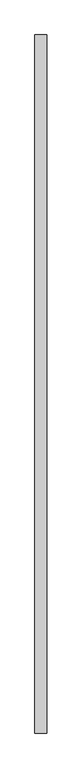
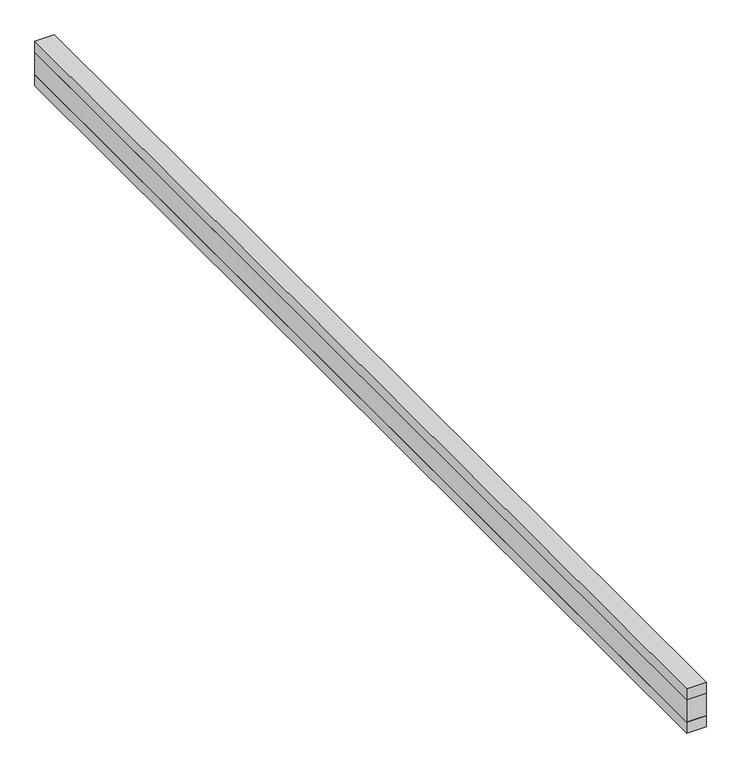
"""IFC4 building model written with IfcOpenShell, lengths in millimetres: proxy geometry."""

from ifc_helpers import new_model, si_unit, frame, origin, place, context, project, spatial, polyline, outline, extrude, source, transform, mapped, element, save


def specialty_equipment_40dd4443(model_context):
    return source(origin(), model_context, "Body", "SweptSolid", [
        extrude(outline(polyline([(25.0, 1445.0), (25.0, -1445.0), (-25.0, -1445.0), (-25.0, 1445.0), (25.0, 1445.0)])), frame((0.0, 0.0, -30.0), z_axis=(0.0, 0.0, 1.0), x_axis=(1.0, 0.0, 0.0)), (0.0, 0.0, 1.0), 30.0),
        extrude(outline(polyline([(25.0, 1445.0), (25.0, -1445.0), (-25.0, -1445.0), (-25.0, 1445.0), (25.0, 1445.0)])), frame((0.0, 0.0, -90.0), z_axis=(0.0, 0.0, 1.0), x_axis=(1.0, 0.0, 0.0)), (0.0, 0.0, 1.0), 60.0),
        extrude(outline(polyline([(25.0, 1445.0), (25.0, -1445.0), (-25.0, -1445.0), (-25.0, 1445.0), (25.0, 1445.0)])), frame((0.0, 0.0, -120.0), z_axis=(0.0, 0.0, 1.0), x_axis=(1.0, 0.0, 0.0)), (0.0, 0.0, 1.0), 30.0),
    ])


if __name__ == "__main__":
    model = new_model("IFC4")
    model_context = context("Model", 3, world=origin())
    ifc_project = project(units=[si_unit("LENGTHUNIT", "METRE", prefix="MILLI")], contexts=[model_context])
    site = spatial("IfcSite", under=ifc_project)
    building = spatial("IfcBuilding", under=site)
    placement = place(None, origin())
    specialty_equipment_shape = specialty_equipment_40dd4443(model_context)
    element("IfcBuildingElementProxy", 1, Name="Specialty Equipment", at=placement, inside=building, context=model_context, shape_type="MappedRepresentation", body=[
        mapped(specialty_equipment_shape, transform((0.0, 0.0, 0.0), x_axis=(1.0, 0.0, 0.0), y_axis=(0.0, 1.0, 0.0), z_axis=(0.0, 0.0, 1.0))),
    ])
    save(model, "model.ifc")
